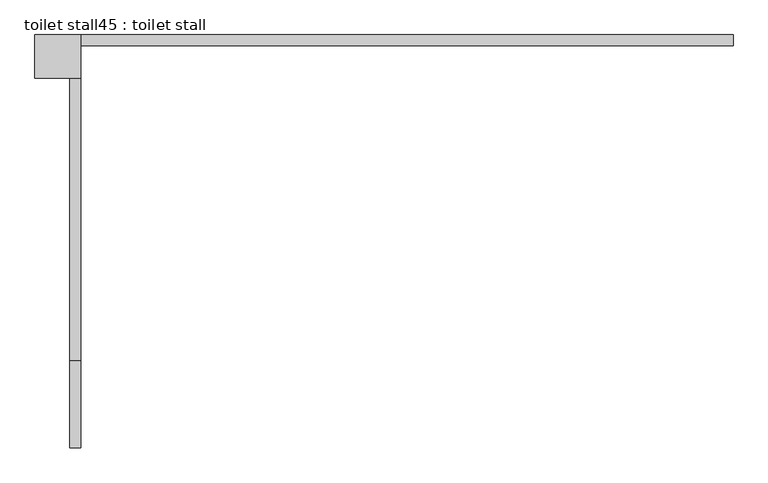
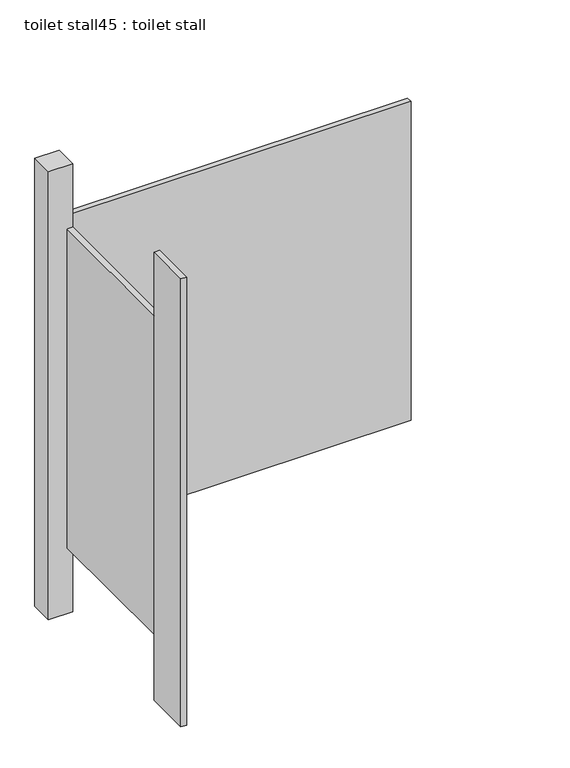
"""IFC4 building model written with IfcOpenShell, lengths in millimetres: proxy geometry, toilet stall45 : toilet stall."""

from ifc_helpers import new_model, si_unit, frame, origin, origin_with_axes, place, context, project, spatial, polyline, outline, extrude, source, transform, mapped, element, save


def toilet_stall45_toilet_stall_6bdedeb3(model_context):
    return source(origin(), model_context, "Body", "SweptSolid", [
        extrude(outline(polyline([(457604.6004676, -271881.4233948), (457604.6004676, -272084.6233948), (457579.2004676, -272084.6233948), (457579.2004676, -271881.4233948), (457604.6004676, -271881.4233948)])), origin_with_axes(), (0.0, 0.0, 1.0), 2070.1),
        extrude(outline(polyline([(457604.6004676, -271119.4233948), (457604.6004676, -271221.0233948), (457498.0390881, -271221.0233948), (457498.0390881, -271119.4233948), (457604.6004676, -271119.4233948)])), origin_with_axes(), (0.0, 0.0, 1.0), 2070.1),
        extrude(outline(polyline([(457604.6004676, -271119.4233948), (459128.6004676, -271119.4233948), (459128.6004676, -271144.8233948), (457604.6004676, -271144.8233948), (457604.6004676, -271119.4233948)])), frame((0.0, 0.0, 304.8), z_axis=(0.0, 0.0, 1.0), x_axis=(1.0, 0.0, 0.0)), (0.0, 0.0, 1.0), 1473.2),
        extrude(outline(polyline([(457604.6004676, -271221.0233948), (457604.6004676, -271881.4233948), (457579.2004676, -271881.4233948), (457579.2004676, -271221.0233948), (457604.6004676, -271221.0233948)])), frame((0.0, 0.0, 304.8), z_axis=(0.0, 0.0, 1.0), x_axis=(1.0, 0.0, 0.0)), (0.0, 0.0, 1.0), 1473.2),
    ])


if __name__ == "__main__":
    model = new_model("IFC4")
    model_context = context("Model", 3, world=origin())
    ifc_project = project(units=[si_unit("LENGTHUNIT", "METRE", prefix="MILLI")], contexts=[model_context])
    site = spatial("IfcSite", under=ifc_project)
    building = spatial("IfcBuilding", under=site)
    placement = place(None, origin())
    toilet_stall45_toilet_stall_shape = toilet_stall45_toilet_stall_6bdedeb3(model_context)
    element("IfcBuildingElementProxy", 1, Name="toilet stall45 : toilet stall", ObjectType="toilet stall45 : toilet stall", at=placement, inside=building, context=model_context, shape_type="MappedRepresentation", body=[
        mapped(toilet_stall45_toilet_stall_shape, transform((0.0, 0.0, 0.0), x_axis=(1.0, 0.0, 0.0), y_axis=(0.0, 1.0, 0.0), z_axis=(0.0, 0.0, 1.0))),
    ])
    save(model, "model.ifc")
